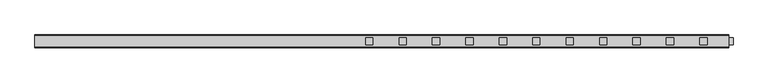
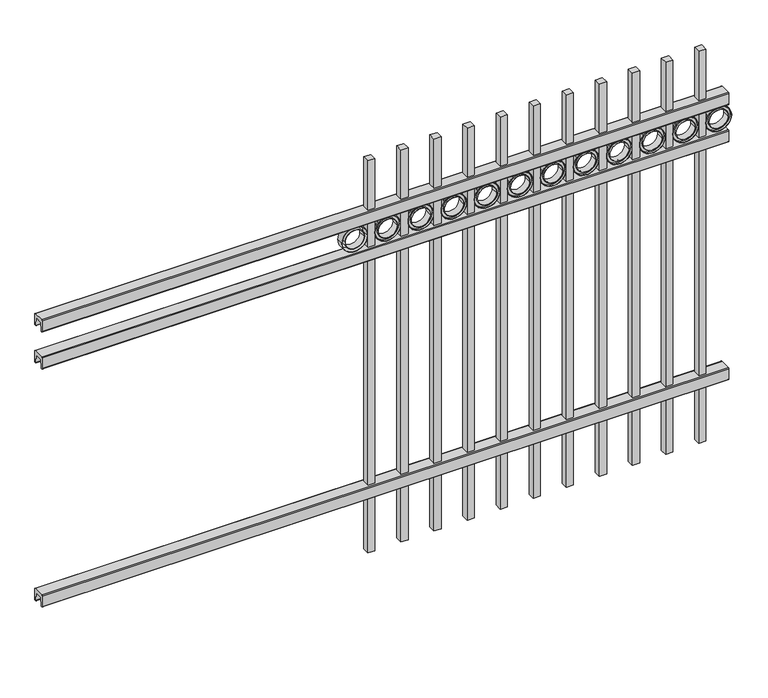
"""IFC4 building model written with IfcOpenShell, lengths in millimetres: railing geometry."""

from ifc_helpers import new_model, si_unit, point, frame, frame_2d, origin, place, context, project, spatial, polyline, circle_curve, trimmed, segment, composite_curve, outline, extrude, source, transform, mapped, element, save


def railing_81ed08ba(model_context):
    return source(origin(), model_context, "Body", "SweptSolid", [
        extrude(outline(composite_curve([segment(polyline([(11873.9139761, 304.8), (11911.969541, 304.8)]), True, "CONTINUOUS"), segment(trimmed(circle_curve(frame_2d((11911.969541, 301.625)), 3.175), [point((11911.969541, 304.8))], [point((11915.144541, 301.625))], False, "CARTESIAN"), True, "CONTINUOUS"), segment(polyline([(11915.144541, 301.625), (11915.144541, 262.1439893)]), True, "CONTINUOUS"), segment(trimmed(circle_curve(frame_2d((11913.3505518, 262.1439893)), 1.7939893), [point((11915.144541, 262.1439893))], [point((11913.3505518, 260.35))], False, "CARTESIAN"), True, "CONTINUOUS"), segment(polyline([(11913.3505518, 260.35), (11910.7590713, 260.35)]), True, "CONTINUOUS"), segment(trimmed(circle_curve(frame_2d((11910.7590713, 262.1359375)), 1.7859375), [point((11910.7590713, 260.35))], [point((11908.9755813, 262.0424688))], False, "CARTESIAN"), True, "CONTINUOUS"), segment(polyline([(11908.9755813, 262.0424688), (11907.4025867, 292.0569942), (11878.4364954, 292.0569942), (11876.8635007, 262.0424688)]), True, "CONTINUOUS"), segment(trimmed(circle_curve(frame_2d((11875.0800108, 262.1359375)), 1.7859375), [point((11876.8635007, 262.0424688))], [point((11875.0800108, 260.35))], False, "CARTESIAN"), True, "CONTINUOUS"), segment(polyline([(11875.0800108, 260.35), (11872.4804785, 260.35)]), True, "CONTINUOUS"), segment(trimmed(circle_curve(frame_2d((11872.4804785, 262.1359375)), 1.7859375), [point((11872.4804785, 260.35))], [point((11870.694541, 262.1359375))], False, "CARTESIAN"), True, "CONTINUOUS"), segment(polyline([(11870.694541, 262.1359375), (11870.694541, 301.5805649)]), True, "CONTINUOUS"), segment(trimmed(circle_curve(frame_2d((11873.9139761, 301.5805649)), 3.2194351), [point((11870.694541, 301.5805649))], [point((11873.9139761, 304.8))], False, "CARTESIAN"), True, "CONTINUOUS")], self_intersect=False)), frame((11485.3350064, 0.0, 0.0), z_axis=(1.0, 0.0, 0.0), x_axis=(0.0, 1.0, 0.0)), (0.0, 0.0, 1.0), 2438.4),
        extrude(outline(composite_curve([segment(polyline([(11873.9139761, 1198.5625), (11911.969541, 1198.5625)]), True, "CONTINUOUS"), segment(trimmed(circle_curve(frame_2d((11911.969541, 1195.3875)), 3.175), [point((11911.969541, 1198.5625))], [point((11915.144541, 1195.3875))], False, "CARTESIAN"), True, "CONTINUOUS"), segment(polyline([(11915.144541, 1195.3875), (11915.144541, 1155.9064893)]), True, "CONTINUOUS"), segment(trimmed(circle_curve(frame_2d((11913.3505518, 1155.9064893)), 1.7939893), [point((11915.144541, 1155.9064893))], [point((11913.3505518, 1154.1125))], False, "CARTESIAN"), True, "CONTINUOUS"), segment(polyline([(11913.3505518, 1154.1125), (11910.7590713, 1154.1125)]), True, "CONTINUOUS"), segment(trimmed(circle_curve(frame_2d((11910.7590713, 1155.8984375)), 1.7859375), [point((11910.7590713, 1154.1125))], [point((11908.9755813, 1155.8049688))], False, "CARTESIAN"), True, "CONTINUOUS"), segment(polyline([(11908.9755813, 1155.8049688), (11907.4025867, 1185.8194942), (11878.4364954, 1185.8194942), (11876.8635007, 1155.8049688)]), True, "CONTINUOUS"), segment(trimmed(circle_curve(frame_2d((11875.0800108, 1155.8984375)), 1.7859375), [point((11876.8635007, 1155.8049688))], [point((11875.0800108, 1154.1125))], False, "CARTESIAN"), True, "CONTINUOUS"), segment(polyline([(11875.0800108, 1154.1125), (11872.4804785, 1154.1125)]), True, "CONTINUOUS"), segment(trimmed(circle_curve(frame_2d((11872.4804785, 1155.8984375)), 1.7859375), [point((11872.4804785, 1154.1125))], [point((11870.694541, 1155.8984375))], False, "CARTESIAN"), True, "CONTINUOUS"), segment(polyline([(11870.694541, 1155.8984375), (11870.694541, 1195.3430649)]), True, "CONTINUOUS"), segment(trimmed(circle_curve(frame_2d((11873.9139761, 1195.3430649)), 3.2194351), [point((11870.694541, 1195.3430649))], [point((11873.9139761, 1198.5625))], False, "CARTESIAN"), True, "CONTINUOUS")], self_intersect=False)), frame((11485.3350064, 0.0, 0.0), z_axis=(1.0, 0.0, 0.0), x_axis=(0.0, 1.0, 0.0)), (0.0, 0.0, 1.0), 2438.4),
        extrude(outline(composite_curve([segment(polyline([(11873.9139761, 1338.2625), (11911.969541, 1338.2625)]), True, "CONTINUOUS"), segment(trimmed(circle_curve(frame_2d((11911.969541, 1335.0875)), 3.175), [point((11911.969541, 1338.2625))], [point((11915.144541, 1335.0875))], False, "CARTESIAN"), True, "CONTINUOUS"), segment(polyline([(11915.144541, 1335.0875), (11915.144541, 1295.6064893)]), True, "CONTINUOUS"), segment(trimmed(circle_curve(frame_2d((11913.3505518, 1295.6064893)), 1.7939893), [point((11915.144541, 1295.6064893))], [point((11913.3505518, 1293.8125))], False, "CARTESIAN"), True, "CONTINUOUS"), segment(polyline([(11913.3505518, 1293.8125), (11910.7590713, 1293.8125)]), True, "CONTINUOUS"), segment(trimmed(circle_curve(frame_2d((11910.7590713, 1295.5984375)), 1.7859375), [point((11910.7590713, 1293.8125))], [point((11908.9755813, 1295.5049688))], False, "CARTESIAN"), True, "CONTINUOUS"), segment(polyline([(11908.9755813, 1295.5049688), (11907.4025867, 1325.5194942), (11878.4364954, 1325.5194942), (11876.8635007, 1295.5049688)]), True, "CONTINUOUS"), segment(trimmed(circle_curve(frame_2d((11875.0800108, 1295.5984375)), 1.7859375), [point((11876.8635007, 1295.5049688))], [point((11875.0800108, 1293.8125))], False, "CARTESIAN"), True, "CONTINUOUS"), segment(polyline([(11875.0800108, 1293.8125), (11872.4804785, 1293.8125)]), True, "CONTINUOUS"), segment(trimmed(circle_curve(frame_2d((11872.4804785, 1295.5984375)), 1.7859375), [point((11872.4804785, 1293.8125))], [point((11870.694541, 1295.5984375))], False, "CARTESIAN"), True, "CONTINUOUS"), segment(polyline([(11870.694541, 1295.5984375), (11870.694541, 1335.0430649)]), True, "CONTINUOUS"), segment(trimmed(circle_curve(frame_2d((11873.9139761, 1335.0430649)), 3.2194351), [point((11870.694541, 1335.0430649))], [point((11873.9139761, 1338.2625))], False, "CARTESIAN"), True, "CONTINUOUS")], self_intersect=False)), frame((11485.3350064, 0.0, 0.0), z_axis=(1.0, 0.0, 0.0), x_axis=(0.0, 1.0, 0.0)), (0.0, 0.0, 1.0), 2438.4),
        extrude(outline(composite_curve([segment(trimmed(circle_curve(frame_2d((1245.4040076, 13893.2338655)), 45.6988591), [point((1245.4040076, 13938.9327246))], [point((1245.4040076, 13847.5350064))], False, "CARTESIAN"), True, "CONTINUOUS"), segment(trimmed(circle_curve(frame_2d((1245.4040076, 13893.2338655)), 45.6988591), [point((1245.4040076, 13847.5350064))], [point((1245.4040076, 13938.9327246))], False, "CARTESIAN"), True, "CONTINUOUS")], self_intersect=False), holes=[composite_curve([segment(trimmed(circle_curve(frame_2d((1245.4040076, 13893.2338655)), 44.101539), [point((1245.4040076, 13937.3354045))], [point((1245.4040076, 13849.1323265))], True, "CARTESIAN"), True, "CONTINUOUS"), segment(trimmed(circle_curve(frame_2d((1245.4040076, 13893.2338655)), 44.101539), [point((1245.4040076, 13849.1323265))], [point((1245.4040076, 13937.3354045))], True, "CARTESIAN"), True, "CONTINUOUS")], self_intersect=False)]), frame((0.0, 11880.219541, 0.0), z_axis=(0.0, 1.0, 0.0), x_axis=(0.0, 0.0, 1.0)), (0.0, 0.0, 1.0), 25.4),
        extrude(outline(composite_curve([segment(trimmed(circle_curve(frame_2d((1245.4040076, 13893.2338655)), 34.6370762), [point((1245.4040076, 13927.8709417))], [point((1245.4040076, 13858.5967893))], False, "CARTESIAN"), True, "CONTINUOUS"), segment(trimmed(circle_curve(frame_2d((1245.4040076, 13893.2338655)), 34.6370762), [point((1245.4040076, 13858.5967893))], [point((1245.4040076, 13927.8709417))], False, "CARTESIAN"), True, "CONTINUOUS")], self_intersect=False), holes=[composite_curve([segment(trimmed(circle_curve(frame_2d((1245.4040076, 13893.2338655)), 33.0443887), [point((1245.4040076, 13926.2782542))], [point((1245.4040076, 13860.1894768))], True, "CARTESIAN"), True, "CONTINUOUS"), segment(trimmed(circle_curve(frame_2d((1245.4040076, 13893.2338655)), 33.0443887), [point((1245.4040076, 13860.1894768))], [point((1245.4040076, 13926.2782542))], True, "CARTESIAN"), True, "CONTINUOUS")], self_intersect=False)]), frame((0.0, 11880.219541, 0.0), z_axis=(0.0, 1.0, 0.0), x_axis=(0.0, 0.0, 1.0)), (0.0, 0.0, 1.0), 25.4),
        extrude(outline(composite_curve([segment(trimmed(circle_curve(frame_2d((1245.4040076, 13893.2338655)), 45.6988591), [point((1245.4040076, 13938.9327246))], [point((1245.4040076, 13847.5350064))], False, "CARTESIAN"), True, "CONTINUOUS"), segment(trimmed(circle_curve(frame_2d((1245.4040076, 13893.2338655)), 45.6988591), [point((1245.4040076, 13847.5350064))], [point((1245.4040076, 13938.9327246))], False, "CARTESIAN"), True, "CONTINUOUS")], self_intersect=False), holes=[composite_curve([segment(trimmed(circle_curve(frame_2d((1245.4040076, 13893.2338655)), 33.0443887), [point((1245.4040076, 13926.2782542))], [point((1245.4040076, 13860.1894768))], True, "CARTESIAN"), True, "CONTINUOUS"), segment(trimmed(circle_curve(frame_2d((1245.4040076, 13893.2338655)), 33.0443887), [point((1245.4040076, 13860.1894768))], [point((1245.4040076, 13926.2782542))], True, "CARTESIAN"), True, "CONTINUOUS")], self_intersect=False)]), frame((0.0, 11886.569541, 0.0), z_axis=(0.0, 1.0, 0.0), x_axis=(0.0, 0.0, 1.0)), (0.0, 0.0, 1.0), 12.7),
        extrude(outline(polyline([(13822.1350064, 11905.619541), (13847.5350064, 11905.619541), (13847.5350064, 11880.219541), (13822.1350064, 11880.219541), (13822.1350064, 11905.619541)])), frame((0.0, 0.0, 50.8), z_axis=(0.0, 0.0, 1.0), x_axis=(1.0, 0.0, 0.0)), (0.0, 0.0, 1.0), 1473.2),
        extrude(outline(composite_curve([segment(trimmed(circle_curve(frame_2d((1245.4040076, 13775.7588655)), 45.6988591), [point((1245.4040076, 13821.4577246))], [point((1245.4040076, 13730.0600064))], False, "CARTESIAN"), True, "CONTINUOUS"), segment(trimmed(circle_curve(frame_2d((1245.4040076, 13775.7588655)), 45.6988591), [point((1245.4040076, 13730.0600064))], [point((1245.4040076, 13821.4577246))], False, "CARTESIAN"), True, "CONTINUOUS")], self_intersect=False), holes=[composite_curve([segment(trimmed(circle_curve(frame_2d((1245.4040076, 13775.7588655)), 44.101539), [point((1245.4040076, 13819.8604045))], [point((1245.4040076, 13731.6573265))], True, "CARTESIAN"), True, "CONTINUOUS"), segment(trimmed(circle_curve(frame_2d((1245.4040076, 13775.7588655)), 44.101539), [point((1245.4040076, 13731.6573265))], [point((1245.4040076, 13819.8604045))], True, "CARTESIAN"), True, "CONTINUOUS")], self_intersect=False)]), frame((0.0, 11880.219541, 0.0), z_axis=(0.0, 1.0, 0.0), x_axis=(0.0, 0.0, 1.0)), (0.0, 0.0, 1.0), 25.4),
        extrude(outline(composite_curve([segment(trimmed(circle_curve(frame_2d((1245.4040076, 13775.7588655)), 34.6370762), [point((1245.4040076, 13810.3959417))], [point((1245.4040076, 13741.1217893))], False, "CARTESIAN"), True, "CONTINUOUS"), segment(trimmed(circle_curve(frame_2d((1245.4040076, 13775.7588655)), 34.6370762), [point((1245.4040076, 13741.1217893))], [point((1245.4040076, 13810.3959417))], False, "CARTESIAN"), True, "CONTINUOUS")], self_intersect=False), holes=[composite_curve([segment(trimmed(circle_curve(frame_2d((1245.4040076, 13775.7588655)), 33.0443887), [point((1245.4040076, 13808.8032542))], [point((1245.4040076, 13742.7144768))], True, "CARTESIAN"), True, "CONTINUOUS"), segment(trimmed(circle_curve(frame_2d((1245.4040076, 13775.7588655)), 33.0443887), [point((1245.4040076, 13742.7144768))], [point((1245.4040076, 13808.8032542))], True, "CARTESIAN"), True, "CONTINUOUS")], self_intersect=False)]), frame((0.0, 11880.219541, 0.0), z_axis=(0.0, 1.0, 0.0), x_axis=(0.0, 0.0, 1.0)), (0.0, 0.0, 1.0), 25.4),
        extrude(outline(composite_curve([segment(trimmed(circle_curve(frame_2d((1245.4040076, 13775.7588655)), 45.6988591), [point((1245.4040076, 13821.4577246))], [point((1245.4040076, 13730.0600064))], False, "CARTESIAN"), True, "CONTINUOUS"), segment(trimmed(circle_curve(frame_2d((1245.4040076, 13775.7588655)), 45.6988591), [point((1245.4040076, 13730.0600064))], [point((1245.4040076, 13821.4577246))], False, "CARTESIAN"), True, "CONTINUOUS")], self_intersect=False), holes=[composite_curve([segment(trimmed(circle_curve(frame_2d((1245.4040076, 13775.7588655)), 33.0443887), [point((1245.4040076, 13808.8032542))], [point((1245.4040076, 13742.7144768))], True, "CARTESIAN"), True, "CONTINUOUS"), segment(trimmed(circle_curve(frame_2d((1245.4040076, 13775.7588655)), 33.0443887), [point((1245.4040076, 13742.7144768))], [point((1245.4040076, 13808.8032542))], True, "CARTESIAN"), True, "CONTINUOUS")], self_intersect=False)]), frame((0.0, 11886.569541, 0.0), z_axis=(0.0, 1.0, 0.0), x_axis=(0.0, 0.0, 1.0)), (0.0, 0.0, 1.0), 12.7),
        extrude(outline(polyline([(13704.6600064, 11905.619541), (13730.0600064, 11905.619541), (13730.0600064, 11880.219541), (13704.6600064, 11880.219541), (13704.6600064, 11905.619541)])), frame((0.0, 0.0, 50.8), z_axis=(0.0, 0.0, 1.0), x_axis=(1.0, 0.0, 0.0)), (0.0, 0.0, 1.0), 1473.2),
        extrude(outline(composite_curve([segment(trimmed(circle_curve(frame_2d((1245.4040076, 13658.2838655)), 45.6988591), [point((1245.4040076, 13703.9827246))], [point((1245.4040076, 13612.5850064))], False, "CARTESIAN"), True, "CONTINUOUS"), segment(trimmed(circle_curve(frame_2d((1245.4040076, 13658.2838655)), 45.6988591), [point((1245.4040076, 13612.5850064))], [point((1245.4040076, 13703.9827246))], False, "CARTESIAN"), True, "CONTINUOUS")], self_intersect=False), holes=[composite_curve([segment(trimmed(circle_curve(frame_2d((1245.4040076, 13658.2838655)), 44.101539), [point((1245.4040076, 13702.3854045))], [point((1245.4040076, 13614.1823265))], True, "CARTESIAN"), True, "CONTINUOUS"), segment(trimmed(circle_curve(frame_2d((1245.4040076, 13658.2838655)), 44.101539), [point((1245.4040076, 13614.1823265))], [point((1245.4040076, 13702.3854045))], True, "CARTESIAN"), True, "CONTINUOUS")], self_intersect=False)]), frame((0.0, 11880.219541, 0.0), z_axis=(0.0, 1.0, 0.0), x_axis=(0.0, 0.0, 1.0)), (0.0, 0.0, 1.0), 25.4),
        extrude(outline(composite_curve([segment(trimmed(circle_curve(frame_2d((1245.4040076, 13658.2838655)), 34.6370762), [point((1245.4040076, 13692.9209417))], [point((1245.4040076, 13623.6467893))], False, "CARTESIAN"), True, "CONTINUOUS"), segment(trimmed(circle_curve(frame_2d((1245.4040076, 13658.2838655)), 34.6370762), [point((1245.4040076, 13623.6467893))], [point((1245.4040076, 13692.9209417))], False, "CARTESIAN"), True, "CONTINUOUS")], self_intersect=False), holes=[composite_curve([segment(trimmed(circle_curve(frame_2d((1245.4040076, 13658.2838655)), 33.0443887), [point((1245.4040076, 13691.3282542))], [point((1245.4040076, 13625.2394768))], True, "CARTESIAN"), True, "CONTINUOUS"), segment(trimmed(circle_curve(frame_2d((1245.4040076, 13658.2838655)), 33.0443887), [point((1245.4040076, 13625.2394768))], [point((1245.4040076, 13691.3282542))], True, "CARTESIAN"), True, "CONTINUOUS")], self_intersect=False)]), frame((0.0, 11880.219541, 0.0), z_axis=(0.0, 1.0, 0.0), x_axis=(0.0, 0.0, 1.0)), (0.0, 0.0, 1.0), 25.4),
        extrude(outline(composite_curve([segment(trimmed(circle_curve(frame_2d((1245.4040076, 13658.2838655)), 45.6988591), [point((1245.4040076, 13703.9827246))], [point((1245.4040076, 13612.5850064))], False, "CARTESIAN"), True, "CONTINUOUS"), segment(trimmed(circle_curve(frame_2d((1245.4040076, 13658.2838655)), 45.6988591), [point((1245.4040076, 13612.5850064))], [point((1245.4040076, 13703.9827246))], False, "CARTESIAN"), True, "CONTINUOUS")], self_intersect=False), holes=[composite_curve([segment(trimmed(circle_curve(frame_2d((1245.4040076, 13658.2838655)), 33.0443887), [point((1245.4040076, 13691.3282542))], [point((1245.4040076, 13625.2394768))], True, "CARTESIAN"), True, "CONTINUOUS"), segment(trimmed(circle_curve(frame_2d((1245.4040076, 13658.2838655)), 33.0443887), [point((1245.4040076, 13625.2394768))], [point((1245.4040076, 13691.3282542))], True, "CARTESIAN"), True, "CONTINUOUS")], self_intersect=False)]), frame((0.0, 11886.569541, 0.0), z_axis=(0.0, 1.0, 0.0), x_axis=(0.0, 0.0, 1.0)), (0.0, 0.0, 1.0), 12.7),
        extrude(outline(polyline([(13587.1850064, 11905.619541), (13612.5850064, 11905.619541), (13612.5850064, 11880.219541), (13587.1850064, 11880.219541), (13587.1850064, 11905.619541)])), frame((0.0, 0.0, 50.8), z_axis=(0.0, 0.0, 1.0), x_axis=(1.0, 0.0, 0.0)), (0.0, 0.0, 1.0), 1473.2),
        extrude(outline(composite_curve([segment(trimmed(circle_curve(frame_2d((1245.4040076, 13540.8088655)), 45.6988591), [point((1245.4040076, 13586.5077246))], [point((1245.4040076, 13495.1100064))], False, "CARTESIAN"), True, "CONTINUOUS"), segment(trimmed(circle_curve(frame_2d((1245.4040076, 13540.8088655)), 45.6988591), [point((1245.4040076, 13495.1100064))], [point((1245.4040076, 13586.5077246))], False, "CARTESIAN"), True, "CONTINUOUS")], self_intersect=False), holes=[composite_curve([segment(trimmed(circle_curve(frame_2d((1245.4040076, 13540.8088655)), 44.101539), [point((1245.4040076, 13584.9104045))], [point((1245.4040076, 13496.7073265))], True, "CARTESIAN"), True, "CONTINUOUS"), segment(trimmed(circle_curve(frame_2d((1245.4040076, 13540.8088655)), 44.101539), [point((1245.4040076, 13496.7073265))], [point((1245.4040076, 13584.9104045))], True, "CARTESIAN"), True, "CONTINUOUS")], self_intersect=False)]), frame((0.0, 11880.219541, 0.0), z_axis=(0.0, 1.0, 0.0), x_axis=(0.0, 0.0, 1.0)), (0.0, 0.0, 1.0), 25.4),
        extrude(outline(composite_curve([segment(trimmed(circle_curve(frame_2d((1245.4040076, 13540.8088655)), 34.6370762), [point((1245.4040076, 13575.4459417))], [point((1245.4040076, 13506.1717893))], False, "CARTESIAN"), True, "CONTINUOUS"), segment(trimmed(circle_curve(frame_2d((1245.4040076, 13540.8088655)), 34.6370762), [point((1245.4040076, 13506.1717893))], [point((1245.4040076, 13575.4459417))], False, "CARTESIAN"), True, "CONTINUOUS")], self_intersect=False), holes=[composite_curve([segment(trimmed(circle_curve(frame_2d((1245.4040076, 13540.8088655)), 33.0443887), [point((1245.4040076, 13573.8532542))], [point((1245.4040076, 13507.7644768))], True, "CARTESIAN"), True, "CONTINUOUS"), segment(trimmed(circle_curve(frame_2d((1245.4040076, 13540.8088655)), 33.0443887), [point((1245.4040076, 13507.7644768))], [point((1245.4040076, 13573.8532542))], True, "CARTESIAN"), True, "CONTINUOUS")], self_intersect=False)]), frame((0.0, 11880.219541, 0.0), z_axis=(0.0, 1.0, 0.0), x_axis=(0.0, 0.0, 1.0)), (0.0, 0.0, 1.0), 25.4),
        extrude(outline(composite_curve([segment(trimmed(circle_curve(frame_2d((1245.4040076, 13540.8088655)), 45.6988591), [point((1245.4040076, 13586.5077246))], [point((1245.4040076, 13495.1100064))], False, "CARTESIAN"), True, "CONTINUOUS"), segment(trimmed(circle_curve(frame_2d((1245.4040076, 13540.8088655)), 45.6988591), [point((1245.4040076, 13495.1100064))], [point((1245.4040076, 13586.5077246))], False, "CARTESIAN"), True, "CONTINUOUS")], self_intersect=False), holes=[composite_curve([segment(trimmed(circle_curve(frame_2d((1245.4040076, 13540.8088655)), 33.0443887), [point((1245.4040076, 13573.8532542))], [point((1245.4040076, 13507.7644768))], True, "CARTESIAN"), True, "CONTINUOUS"), segment(trimmed(circle_curve(frame_2d((1245.4040076, 13540.8088655)), 33.0443887), [point((1245.4040076, 13507.7644768))], [point((1245.4040076, 13573.8532542))], True, "CARTESIAN"), True, "CONTINUOUS")], self_intersect=False)]), frame((0.0, 11886.569541, 0.0), z_axis=(0.0, 1.0, 0.0), x_axis=(0.0, 0.0, 1.0)), (0.0, 0.0, 1.0), 12.7),
        extrude(outline(polyline([(13469.7100064, 11905.619541), (13495.1100064, 11905.619541), (13495.1100064, 11880.219541), (13469.7100064, 11880.219541), (13469.7100064, 11905.619541)])), frame((0.0, 0.0, 50.8), z_axis=(0.0, 0.0, 1.0), x_axis=(1.0, 0.0, 0.0)), (0.0, 0.0, 1.0), 1473.2),
        extrude(outline(composite_curve([segment(trimmed(circle_curve(frame_2d((1245.4040076, 13423.3338655)), 45.6988591), [point((1245.4040076, 13469.0327246))], [point((1245.4040076, 13377.6350064))], False, "CARTESIAN"), True, "CONTINUOUS"), segment(trimmed(circle_curve(frame_2d((1245.4040076, 13423.3338655)), 45.6988591), [point((1245.4040076, 13377.6350064))], [point((1245.4040076, 13469.0327246))], False, "CARTESIAN"), True, "CONTINUOUS")], self_intersect=False), holes=[composite_curve([segment(trimmed(circle_curve(frame_2d((1245.4040076, 13423.3338655)), 44.101539), [point((1245.4040076, 13467.4354045))], [point((1245.4040076, 13379.2323265))], True, "CARTESIAN"), True, "CONTINUOUS"), segment(trimmed(circle_curve(frame_2d((1245.4040076, 13423.3338655)), 44.101539), [point((1245.4040076, 13379.2323265))], [point((1245.4040076, 13467.4354045))], True, "CARTESIAN"), True, "CONTINUOUS")], self_intersect=False)]), frame((0.0, 11880.219541, 0.0), z_axis=(0.0, 1.0, 0.0), x_axis=(0.0, 0.0, 1.0)), (0.0, 0.0, 1.0), 25.4),
        extrude(outline(composite_curve([segment(trimmed(circle_curve(frame_2d((1245.4040076, 13423.3338655)), 34.6370762), [point((1245.4040076, 13457.9709417))], [point((1245.4040076, 13388.6967893))], False, "CARTESIAN"), True, "CONTINUOUS"), segment(trimmed(circle_curve(frame_2d((1245.4040076, 13423.3338655)), 34.6370762), [point((1245.4040076, 13388.6967893))], [point((1245.4040076, 13457.9709417))], False, "CARTESIAN"), True, "CONTINUOUS")], self_intersect=False), holes=[composite_curve([segment(trimmed(circle_curve(frame_2d((1245.4040076, 13423.3338655)), 33.0443887), [point((1245.4040076, 13456.3782542))], [point((1245.4040076, 13390.2894768))], True, "CARTESIAN"), True, "CONTINUOUS"), segment(trimmed(circle_curve(frame_2d((1245.4040076, 13423.3338655)), 33.0443887), [point((1245.4040076, 13390.2894768))], [point((1245.4040076, 13456.3782542))], True, "CARTESIAN"), True, "CONTINUOUS")], self_intersect=False)]), frame((0.0, 11880.219541, 0.0), z_axis=(0.0, 1.0, 0.0), x_axis=(0.0, 0.0, 1.0)), (0.0, 0.0, 1.0), 25.4),
        extrude(outline(composite_curve([segment(trimmed(circle_curve(frame_2d((1245.4040076, 13423.3338655)), 45.6988591), [point((1245.4040076, 13469.0327246))], [point((1245.4040076, 13377.6350064))], False, "CARTESIAN"), True, "CONTINUOUS"), segment(trimmed(circle_curve(frame_2d((1245.4040076, 13423.3338655)), 45.6988591), [point((1245.4040076, 13377.6350064))], [point((1245.4040076, 13469.0327246))], False, "CARTESIAN"), True, "CONTINUOUS")], self_intersect=False), holes=[composite_curve([segment(trimmed(circle_curve(frame_2d((1245.4040076, 13423.3338655)), 33.0443887), [point((1245.4040076, 13456.3782542))], [point((1245.4040076, 13390.2894768))], True, "CARTESIAN"), True, "CONTINUOUS"), segment(trimmed(circle_curve(frame_2d((1245.4040076, 13423.3338655)), 33.0443887), [point((1245.4040076, 13390.2894768))], [point((1245.4040076, 13456.3782542))], True, "CARTESIAN"), True, "CONTINUOUS")], self_intersect=False)]), frame((0.0, 11886.569541, 0.0), z_axis=(0.0, 1.0, 0.0), x_axis=(0.0, 0.0, 1.0)), (0.0, 0.0, 1.0), 12.7),
        extrude(outline(polyline([(13352.2350064, 11905.619541), (13377.6350064, 11905.619541), (13377.6350064, 11880.219541), (13352.2350064, 11880.219541), (13352.2350064, 11905.619541)])), frame((0.0, 0.0, 50.8), z_axis=(0.0, 0.0, 1.0), x_axis=(1.0, 0.0, 0.0)), (0.0, 0.0, 1.0), 1473.2),
        extrude(outline(composite_curve([segment(trimmed(circle_curve(frame_2d((1245.4040076, 13305.8588655)), 45.6988591), [point((1245.4040076, 13351.5577246))], [point((1245.4040076, 13260.1600064))], False, "CARTESIAN"), True, "CONTINUOUS"), segment(trimmed(circle_curve(frame_2d((1245.4040076, 13305.8588655)), 45.6988591), [point((1245.4040076, 13260.1600064))], [point((1245.4040076, 13351.5577246))], False, "CARTESIAN"), True, "CONTINUOUS")], self_intersect=False), holes=[composite_curve([segment(trimmed(circle_curve(frame_2d((1245.4040076, 13305.8588655)), 44.101539), [point((1245.4040076, 13349.9604045))], [point((1245.4040076, 13261.7573265))], True, "CARTESIAN"), True, "CONTINUOUS"), segment(trimmed(circle_curve(frame_2d((1245.4040076, 13305.8588655)), 44.101539), [point((1245.4040076, 13261.7573265))], [point((1245.4040076, 13349.9604045))], True, "CARTESIAN"), True, "CONTINUOUS")], self_intersect=False)]), frame((0.0, 11880.219541, 0.0), z_axis=(0.0, 1.0, 0.0), x_axis=(0.0, 0.0, 1.0)), (0.0, 0.0, 1.0), 25.4),
        extrude(outline(composite_curve([segment(trimmed(circle_curve(frame_2d((1245.4040076, 13305.8588655)), 34.6370762), [point((1245.4040076, 13340.4959417))], [point((1245.4040076, 13271.2217893))], False, "CARTESIAN"), True, "CONTINUOUS"), segment(trimmed(circle_curve(frame_2d((1245.4040076, 13305.8588655)), 34.6370762), [point((1245.4040076, 13271.2217893))], [point((1245.4040076, 13340.4959417))], False, "CARTESIAN"), True, "CONTINUOUS")], self_intersect=False), holes=[composite_curve([segment(trimmed(circle_curve(frame_2d((1245.4040076, 13305.8588655)), 33.0443887), [point((1245.4040076, 13338.9032542))], [point((1245.4040076, 13272.8144768))], True, "CARTESIAN"), True, "CONTINUOUS"), segment(trimmed(circle_curve(frame_2d((1245.4040076, 13305.8588655)), 33.0443887), [point((1245.4040076, 13272.8144768))], [point((1245.4040076, 13338.9032542))], True, "CARTESIAN"), True, "CONTINUOUS")], self_intersect=False)]), frame((0.0, 11880.219541, 0.0), z_axis=(0.0, 1.0, 0.0), x_axis=(0.0, 0.0, 1.0)), (0.0, 0.0, 1.0), 25.4),
        extrude(outline(composite_curve([segment(trimmed(circle_curve(frame_2d((1245.4040076, 13305.8588655)), 45.6988591), [point((1245.4040076, 13351.5577246))], [point((1245.4040076, 13260.1600064))], False, "CARTESIAN"), True, "CONTINUOUS"), segment(trimmed(circle_curve(frame_2d((1245.4040076, 13305.8588655)), 45.6988591), [point((1245.4040076, 13260.1600064))], [point((1245.4040076, 13351.5577246))], False, "CARTESIAN"), True, "CONTINUOUS")], self_intersect=False), holes=[composite_curve([segment(trimmed(circle_curve(frame_2d((1245.4040076, 13305.8588655)), 33.0443887), [point((1245.4040076, 13338.9032542))], [point((1245.4040076, 13272.8144768))], True, "CARTESIAN"), True, "CONTINUOUS"), segment(trimmed(circle_curve(frame_2d((1245.4040076, 13305.8588655)), 33.0443887), [point((1245.4040076, 13272.8144768))], [point((1245.4040076, 13338.9032542))], True, "CARTESIAN"), True, "CONTINUOUS")], self_intersect=False)]), frame((0.0, 11886.569541, 0.0), z_axis=(0.0, 1.0, 0.0), x_axis=(0.0, 0.0, 1.0)), (0.0, 0.0, 1.0), 12.7),
        extrude(outline(polyline([(13234.7600064, 11905.619541), (13260.1600064, 11905.619541), (13260.1600064, 11880.219541), (13234.7600064, 11880.219541), (13234.7600064, 11905.619541)])), frame((0.0, 0.0, 50.8), z_axis=(0.0, 0.0, 1.0), x_axis=(1.0, 0.0, 0.0)), (0.0, 0.0, 1.0), 1473.2),
        extrude(outline(composite_curve([segment(trimmed(circle_curve(frame_2d((1245.4040076, 13188.3838655)), 45.6988591), [point((1245.4040076, 13234.0827246))], [point((1245.4040076, 13142.6850064))], False, "CARTESIAN"), True, "CONTINUOUS"), segment(trimmed(circle_curve(frame_2d((1245.4040076, 13188.3838655)), 45.6988591), [point((1245.4040076, 13142.6850064))], [point((1245.4040076, 13234.0827246))], False, "CARTESIAN"), True, "CONTINUOUS")], self_intersect=False), holes=[composite_curve([segment(trimmed(circle_curve(frame_2d((1245.4040076, 13188.3838655)), 44.101539), [point((1245.4040076, 13232.4854045))], [point((1245.4040076, 13144.2823265))], True, "CARTESIAN"), True, "CONTINUOUS"), segment(trimmed(circle_curve(frame_2d((1245.4040076, 13188.3838655)), 44.101539), [point((1245.4040076, 13144.2823265))], [point((1245.4040076, 13232.4854045))], True, "CARTESIAN"), True, "CONTINUOUS")], self_intersect=False)]), frame((0.0, 11880.219541, 0.0), z_axis=(0.0, 1.0, 0.0), x_axis=(0.0, 0.0, 1.0)), (0.0, 0.0, 1.0), 25.4),
        extrude(outline(composite_curve([segment(trimmed(circle_curve(frame_2d((1245.4040076, 13188.3838655)), 34.6370762), [point((1245.4040076, 13223.0209417))], [point((1245.4040076, 13153.7467893))], False, "CARTESIAN"), True, "CONTINUOUS"), segment(trimmed(circle_curve(frame_2d((1245.4040076, 13188.3838655)), 34.6370762), [point((1245.4040076, 13153.7467893))], [point((1245.4040076, 13223.0209417))], False, "CARTESIAN"), True, "CONTINUOUS")], self_intersect=False), holes=[composite_curve([segment(trimmed(circle_curve(frame_2d((1245.4040076, 13188.3838655)), 33.0443887), [point((1245.4040076, 13221.4282542))], [point((1245.4040076, 13155.3394768))], True, "CARTESIAN"), True, "CONTINUOUS"), segment(trimmed(circle_curve(frame_2d((1245.4040076, 13188.3838655)), 33.0443887), [point((1245.4040076, 13155.3394768))], [point((1245.4040076, 13221.4282542))], True, "CARTESIAN"), True, "CONTINUOUS")], self_intersect=False)]), frame((0.0, 11880.219541, 0.0), z_axis=(0.0, 1.0, 0.0), x_axis=(0.0, 0.0, 1.0)), (0.0, 0.0, 1.0), 25.4),
        extrude(outline(composite_curve([segment(trimmed(circle_curve(frame_2d((1245.4040076, 13188.3838655)), 45.6988591), [point((1245.4040076, 13234.0827246))], [point((1245.4040076, 13142.6850064))], False, "CARTESIAN"), True, "CONTINUOUS"), segment(trimmed(circle_curve(frame_2d((1245.4040076, 13188.3838655)), 45.6988591), [point((1245.4040076, 13142.6850064))], [point((1245.4040076, 13234.0827246))], False, "CARTESIAN"), True, "CONTINUOUS")], self_intersect=False), holes=[composite_curve([segment(trimmed(circle_curve(frame_2d((1245.4040076, 13188.3838655)), 33.0443887), [point((1245.4040076, 13221.4282542))], [point((1245.4040076, 13155.3394768))], True, "CARTESIAN"), True, "CONTINUOUS"), segment(trimmed(circle_curve(frame_2d((1245.4040076, 13188.3838655)), 33.0443887), [point((1245.4040076, 13155.3394768))], [point((1245.4040076, 13221.4282542))], True, "CARTESIAN"), True, "CONTINUOUS")], self_intersect=False)]), frame((0.0, 11886.569541, 0.0), z_axis=(0.0, 1.0, 0.0), x_axis=(0.0, 0.0, 1.0)), (0.0, 0.0, 1.0), 12.7),
        extrude(outline(polyline([(13117.2850064, 11905.619541), (13142.6850064, 11905.619541), (13142.6850064, 11880.219541), (13117.2850064, 11880.219541), (13117.2850064, 11905.619541)])), frame((0.0, 0.0, 50.8), z_axis=(0.0, 0.0, 1.0), x_axis=(1.0, 0.0, 0.0)), (0.0, 0.0, 1.0), 1473.2),
        extrude(outline(composite_curve([segment(trimmed(circle_curve(frame_2d((1245.4040076, 13070.9088655)), 45.6988591), [point((1245.4040076, 13116.6077246))], [point((1245.4040076, 13025.2100064))], False, "CARTESIAN"), True, "CONTINUOUS"), segment(trimmed(circle_curve(frame_2d((1245.4040076, 13070.9088655)), 45.6988591), [point((1245.4040076, 13025.2100064))], [point((1245.4040076, 13116.6077246))], False, "CARTESIAN"), True, "CONTINUOUS")], self_intersect=False), holes=[composite_curve([segment(trimmed(circle_curve(frame_2d((1245.4040076, 13070.9088655)), 44.101539), [point((1245.4040076, 13115.0104045))], [point((1245.4040076, 13026.8073265))], True, "CARTESIAN"), True, "CONTINUOUS"), segment(trimmed(circle_curve(frame_2d((1245.4040076, 13070.9088655)), 44.101539), [point((1245.4040076, 13026.8073265))], [point((1245.4040076, 13115.0104045))], True, "CARTESIAN"), True, "CONTINUOUS")], self_intersect=False)]), frame((0.0, 11880.219541, 0.0), z_axis=(0.0, 1.0, 0.0), x_axis=(0.0, 0.0, 1.0)), (0.0, 0.0, 1.0), 25.4),
        extrude(outline(composite_curve([segment(trimmed(circle_curve(frame_2d((1245.4040076, 13070.9088655)), 34.6370762), [point((1245.4040076, 13105.5459417))], [point((1245.4040076, 13036.2717893))], False, "CARTESIAN"), True, "CONTINUOUS"), segment(trimmed(circle_curve(frame_2d((1245.4040076, 13070.9088655)), 34.6370762), [point((1245.4040076, 13036.2717893))], [point((1245.4040076, 13105.5459417))], False, "CARTESIAN"), True, "CONTINUOUS")], self_intersect=False), holes=[composite_curve([segment(trimmed(circle_curve(frame_2d((1245.4040076, 13070.9088655)), 33.0443887), [point((1245.4040076, 13103.9532542))], [point((1245.4040076, 13037.8644768))], True, "CARTESIAN"), True, "CONTINUOUS"), segment(trimmed(circle_curve(frame_2d((1245.4040076, 13070.9088655)), 33.0443887), [point((1245.4040076, 13037.8644768))], [point((1245.4040076, 13103.9532542))], True, "CARTESIAN"), True, "CONTINUOUS")], self_intersect=False)]), frame((0.0, 11880.219541, 0.0), z_axis=(0.0, 1.0, 0.0), x_axis=(0.0, 0.0, 1.0)), (0.0, 0.0, 1.0), 25.4),
        extrude(outline(composite_curve([segment(trimmed(circle_curve(frame_2d((1245.4040076, 13070.9088655)), 45.6988591), [point((1245.4040076, 13116.6077246))], [point((1245.4040076, 13025.2100064))], False, "CARTESIAN"), True, "CONTINUOUS"), segment(trimmed(circle_curve(frame_2d((1245.4040076, 13070.9088655)), 45.6988591), [point((1245.4040076, 13025.2100064))], [point((1245.4040076, 13116.6077246))], False, "CARTESIAN"), True, "CONTINUOUS")], self_intersect=False), holes=[composite_curve([segment(trimmed(circle_curve(frame_2d((1245.4040076, 13070.9088655)), 33.0443887), [point((1245.4040076, 13103.9532542))], [point((1245.4040076, 13037.8644768))], True, "CARTESIAN"), True, "CONTINUOUS"), segment(trimmed(circle_curve(frame_2d((1245.4040076, 13070.9088655)), 33.0443887), [point((1245.4040076, 13037.8644768))], [point((1245.4040076, 13103.9532542))], True, "CARTESIAN"), True, "CONTINUOUS")], self_intersect=False)]), frame((0.0, 11886.569541, 0.0), z_axis=(0.0, 1.0, 0.0), x_axis=(0.0, 0.0, 1.0)), (0.0, 0.0, 1.0), 12.7),
        extrude(outline(polyline([(12999.8100064, 11905.619541), (13025.2100064, 11905.619541), (13025.2100064, 11880.219541), (12999.8100064, 11880.219541), (12999.8100064, 11905.619541)])), frame((0.0, 0.0, 50.8), z_axis=(0.0, 0.0, 1.0), x_axis=(1.0, 0.0, 0.0)), (0.0, 0.0, 1.0), 1473.2),
        extrude(outline(composite_curve([segment(trimmed(circle_curve(frame_2d((1245.4040076, 12953.4338655)), 45.6988591), [point((1245.4040076, 12999.1327246))], [point((1245.4040076, 12907.7350064))], False, "CARTESIAN"), True, "CONTINUOUS"), segment(trimmed(circle_curve(frame_2d((1245.4040076, 12953.4338655)), 45.6988591), [point((1245.4040076, 12907.7350064))], [point((1245.4040076, 12999.1327246))], False, "CARTESIAN"), True, "CONTINUOUS")], self_intersect=False), holes=[composite_curve([segment(trimmed(circle_curve(frame_2d((1245.4040076, 12953.4338655)), 44.101539), [point((1245.4040076, 12997.5354045))], [point((1245.4040076, 12909.3323265))], True, "CARTESIAN"), True, "CONTINUOUS"), segment(trimmed(circle_curve(frame_2d((1245.4040076, 12953.4338655)), 44.101539), [point((1245.4040076, 12909.3323265))], [point((1245.4040076, 12997.5354045))], True, "CARTESIAN"), True, "CONTINUOUS")], self_intersect=False)]), frame((0.0, 11880.219541, 0.0), z_axis=(0.0, 1.0, 0.0), x_axis=(0.0, 0.0, 1.0)), (0.0, 0.0, 1.0), 25.4),
        extrude(outline(composite_curve([segment(trimmed(circle_curve(frame_2d((1245.4040076, 12953.4338655)), 34.6370762), [point((1245.4040076, 12988.0709417))], [point((1245.4040076, 12918.7967893))], False, "CARTESIAN"), True, "CONTINUOUS"), segment(trimmed(circle_curve(frame_2d((1245.4040076, 12953.4338655)), 34.6370762), [point((1245.4040076, 12918.7967893))], [point((1245.4040076, 12988.0709417))], False, "CARTESIAN"), True, "CONTINUOUS")], self_intersect=False), holes=[composite_curve([segment(trimmed(circle_curve(frame_2d((1245.4040076, 12953.4338655)), 33.0443887), [point((1245.4040076, 12986.4782542))], [point((1245.4040076, 12920.3894768))], True, "CARTESIAN"), True, "CONTINUOUS"), segment(trimmed(circle_curve(frame_2d((1245.4040076, 12953.4338655)), 33.0443887), [point((1245.4040076, 12920.3894768))], [point((1245.4040076, 12986.4782542))], True, "CARTESIAN"), True, "CONTINUOUS")], self_intersect=False)]), frame((0.0, 11880.219541, 0.0), z_axis=(0.0, 1.0, 0.0), x_axis=(0.0, 0.0, 1.0)), (0.0, 0.0, 1.0), 25.4),
        extrude(outline(composite_curve([segment(trimmed(circle_curve(frame_2d((1245.4040076, 12953.4338655)), 45.6988591), [point((1245.4040076, 12999.1327246))], [point((1245.4040076, 12907.7350064))], False, "CARTESIAN"), True, "CONTINUOUS"), segment(trimmed(circle_curve(frame_2d((1245.4040076, 12953.4338655)), 45.6988591), [point((1245.4040076, 12907.7350064))], [point((1245.4040076, 12999.1327246))], False, "CARTESIAN"), True, "CONTINUOUS")], self_intersect=False), holes=[composite_curve([segment(trimmed(circle_curve(frame_2d((1245.4040076, 12953.4338655)), 33.0443887), [point((1245.4040076, 12986.4782542))], [point((1245.4040076, 12920.3894768))], True, "CARTESIAN"), True, "CONTINUOUS"), segment(trimmed(circle_curve(frame_2d((1245.4040076, 12953.4338655)), 33.0443887), [point((1245.4040076, 12920.3894768))], [point((1245.4040076, 12986.4782542))], True, "CARTESIAN"), True, "CONTINUOUS")], self_intersect=False)]), frame((0.0, 11886.569541, 0.0), z_axis=(0.0, 1.0, 0.0), x_axis=(0.0, 0.0, 1.0)), (0.0, 0.0, 1.0), 12.7),
        extrude(outline(polyline([(12882.3350064, 11905.619541), (12907.7350064, 11905.619541), (12907.7350064, 11880.219541), (12882.3350064, 11880.219541), (12882.3350064, 11905.619541)])), frame((0.0, 0.0, 50.8), z_axis=(0.0, 0.0, 1.0), x_axis=(1.0, 0.0, 0.0)), (0.0, 0.0, 1.0), 1473.2),
        extrude(outline(composite_curve([segment(trimmed(circle_curve(frame_2d((1245.4040076, 12835.9588655)), 45.6988591), [point((1245.4040076, 12881.6577246))], [point((1245.4040076, 12790.2600064))], False, "CARTESIAN"), True, "CONTINUOUS"), segment(trimmed(circle_curve(frame_2d((1245.4040076, 12835.9588655)), 45.6988591), [point((1245.4040076, 12790.2600064))], [point((1245.4040076, 12881.6577246))], False, "CARTESIAN"), True, "CONTINUOUS")], self_intersect=False), holes=[composite_curve([segment(trimmed(circle_curve(frame_2d((1245.4040076, 12835.9588655)), 44.101539), [point((1245.4040076, 12880.0604045))], [point((1245.4040076, 12791.8573265))], True, "CARTESIAN"), True, "CONTINUOUS"), segment(trimmed(circle_curve(frame_2d((1245.4040076, 12835.9588655)), 44.101539), [point((1245.4040076, 12791.8573265))], [point((1245.4040076, 12880.0604045))], True, "CARTESIAN"), True, "CONTINUOUS")], self_intersect=False)]), frame((0.0, 11880.219541, 0.0), z_axis=(0.0, 1.0, 0.0), x_axis=(0.0, 0.0, 1.0)), (0.0, 0.0, 1.0), 25.4),
        extrude(outline(composite_curve([segment(trimmed(circle_curve(frame_2d((1245.4040076, 12835.9588655)), 34.6370762), [point((1245.4040076, 12870.5959417))], [point((1245.4040076, 12801.3217893))], False, "CARTESIAN"), True, "CONTINUOUS"), segment(trimmed(circle_curve(frame_2d((1245.4040076, 12835.9588655)), 34.6370762), [point((1245.4040076, 12801.3217893))], [point((1245.4040076, 12870.5959417))], False, "CARTESIAN"), True, "CONTINUOUS")], self_intersect=False), holes=[composite_curve([segment(trimmed(circle_curve(frame_2d((1245.4040076, 12835.9588655)), 33.0443887), [point((1245.4040076, 12869.0032542))], [point((1245.4040076, 12802.9144768))], True, "CARTESIAN"), True, "CONTINUOUS"), segment(trimmed(circle_curve(frame_2d((1245.4040076, 12835.9588655)), 33.0443887), [point((1245.4040076, 12802.9144768))], [point((1245.4040076, 12869.0032542))], True, "CARTESIAN"), True, "CONTINUOUS")], self_intersect=False)]), frame((0.0, 11880.219541, 0.0), z_axis=(0.0, 1.0, 0.0), x_axis=(0.0, 0.0, 1.0)), (0.0, 0.0, 1.0), 25.4),
        extrude(outline(composite_curve([segment(trimmed(circle_curve(frame_2d((1245.4040076, 12835.9588655)), 45.6988591), [point((1245.4040076, 12881.6577246))], [point((1245.4040076, 12790.2600064))], False, "CARTESIAN"), True, "CONTINUOUS"), segment(trimmed(circle_curve(frame_2d((1245.4040076, 12835.9588655)), 45.6988591), [point((1245.4040076, 12790.2600064))], [point((1245.4040076, 12881.6577246))], False, "CARTESIAN"), True, "CONTINUOUS")], self_intersect=False), holes=[composite_curve([segment(trimmed(circle_curve(frame_2d((1245.4040076, 12835.9588655)), 33.0443887), [point((1245.4040076, 12869.0032542))], [point((1245.4040076, 12802.9144768))], True, "CARTESIAN"), True, "CONTINUOUS"), segment(trimmed(circle_curve(frame_2d((1245.4040076, 12835.9588655)), 33.0443887), [point((1245.4040076, 12802.9144768))], [point((1245.4040076, 12869.0032542))], True, "CARTESIAN"), True, "CONTINUOUS")], self_intersect=False)]), frame((0.0, 11886.569541, 0.0), z_axis=(0.0, 1.0, 0.0), x_axis=(0.0, 0.0, 1.0)), (0.0, 0.0, 1.0), 12.7),
        extrude(outline(polyline([(12764.8600064, 11905.619541), (12790.2600064, 11905.619541), (12790.2600064, 11880.219541), (12764.8600064, 11880.219541), (12764.8600064, 11905.619541)])), frame((0.0, 0.0, 50.8), z_axis=(0.0, 0.0, 1.0), x_axis=(1.0, 0.0, 0.0)), (0.0, 0.0, 1.0), 1473.2),
        extrude(outline(composite_curve([segment(trimmed(circle_curve(frame_2d((1245.4040076, 12718.4838655)), 45.6988591), [point((1245.4040076, 12764.1827246))], [point((1245.4040076, 12672.7850064))], False, "CARTESIAN"), True, "CONTINUOUS"), segment(trimmed(circle_curve(frame_2d((1245.4040076, 12718.4838655)), 45.6988591), [point((1245.4040076, 12672.7850064))], [point((1245.4040076, 12764.1827246))], False, "CARTESIAN"), True, "CONTINUOUS")], self_intersect=False), holes=[composite_curve([segment(trimmed(circle_curve(frame_2d((1245.4040076, 12718.4838655)), 44.101539), [point((1245.4040076, 12762.5854045))], [point((1245.4040076, 12674.3823265))], True, "CARTESIAN"), True, "CONTINUOUS"), segment(trimmed(circle_curve(frame_2d((1245.4040076, 12718.4838655)), 44.101539), [point((1245.4040076, 12674.3823265))], [point((1245.4040076, 12762.5854045))], True, "CARTESIAN"), True, "CONTINUOUS")], self_intersect=False)]), frame((0.0, 11880.219541, 0.0), z_axis=(0.0, 1.0, 0.0), x_axis=(0.0, 0.0, 1.0)), (0.0, 0.0, 1.0), 25.4),
        extrude(outline(composite_curve([segment(trimmed(circle_curve(frame_2d((1245.4040076, 12718.4838655)), 34.6370762), [point((1245.4040076, 12753.1209417))], [point((1245.4040076, 12683.8467893))], False, "CARTESIAN"), True, "CONTINUOUS"), segment(trimmed(circle_curve(frame_2d((1245.4040076, 12718.4838655)), 34.6370762), [point((1245.4040076, 12683.8467893))], [point((1245.4040076, 12753.1209417))], False, "CARTESIAN"), True, "CONTINUOUS")], self_intersect=False), holes=[composite_curve([segment(trimmed(circle_curve(frame_2d((1245.4040076, 12718.4838655)), 33.0443887), [point((1245.4040076, 12751.5282542))], [point((1245.4040076, 12685.4394768))], True, "CARTESIAN"), True, "CONTINUOUS"), segment(trimmed(circle_curve(frame_2d((1245.4040076, 12718.4838655)), 33.0443887), [point((1245.4040076, 12685.4394768))], [point((1245.4040076, 12751.5282542))], True, "CARTESIAN"), True, "CONTINUOUS")], self_intersect=False)]), frame((0.0, 11880.219541, 0.0), z_axis=(0.0, 1.0, 0.0), x_axis=(0.0, 0.0, 1.0)), (0.0, 0.0, 1.0), 25.4),
        extrude(outline(composite_curve([segment(trimmed(circle_curve(frame_2d((1245.4040076, 12718.4838655)), 45.6988591), [point((1245.4040076, 12764.1827246))], [point((1245.4040076, 12672.7850064))], False, "CARTESIAN"), True, "CONTINUOUS"), segment(trimmed(circle_curve(frame_2d((1245.4040076, 12718.4838655)), 45.6988591), [point((1245.4040076, 12672.7850064))], [point((1245.4040076, 12764.1827246))], False, "CARTESIAN"), True, "CONTINUOUS")], self_intersect=False), holes=[composite_curve([segment(trimmed(circle_curve(frame_2d((1245.4040076, 12718.4838655)), 33.0443887), [point((1245.4040076, 12751.5282542))], [point((1245.4040076, 12685.4394768))], True, "CARTESIAN"), True, "CONTINUOUS"), segment(trimmed(circle_curve(frame_2d((1245.4040076, 12718.4838655)), 33.0443887), [point((1245.4040076, 12685.4394768))], [point((1245.4040076, 12751.5282542))], True, "CARTESIAN"), True, "CONTINUOUS")], self_intersect=False)]), frame((0.0, 11886.569541, 0.0), z_axis=(0.0, 1.0, 0.0), x_axis=(0.0, 0.0, 1.0)), (0.0, 0.0, 1.0), 12.7),
        extrude(outline(polyline([(12647.3850064, 11905.619541), (12672.7850064, 11905.619541), (12672.7850064, 11880.219541), (12647.3850064, 11880.219541), (12647.3850064, 11905.619541)])), frame((0.0, 0.0, 50.8), z_axis=(0.0, 0.0, 1.0), x_axis=(1.0, 0.0, 0.0)), (0.0, 0.0, 1.0), 1473.2),
        extrude(outline(composite_curve([segment(trimmed(circle_curve(frame_2d((1245.4040076, 12601.0088655)), 45.6988591), [point((1245.4040076, 12646.7077246))], [point((1245.4040076, 12555.3100064))], False, "CARTESIAN"), True, "CONTINUOUS"), segment(trimmed(circle_curve(frame_2d((1245.4040076, 12601.0088655)), 45.6988591), [point((1245.4040076, 12555.3100064))], [point((1245.4040076, 12646.7077246))], False, "CARTESIAN"), True, "CONTINUOUS")], self_intersect=False), holes=[composite_curve([segment(trimmed(circle_curve(frame_2d((1245.4040076, 12601.0088655)), 44.101539), [point((1245.4040076, 12645.1104045))], [point((1245.4040076, 12556.9073265))], True, "CARTESIAN"), True, "CONTINUOUS"), segment(trimmed(circle_curve(frame_2d((1245.4040076, 12601.0088655)), 44.101539), [point((1245.4040076, 12556.9073265))], [point((1245.4040076, 12645.1104045))], True, "CARTESIAN"), True, "CONTINUOUS")], self_intersect=False)]), frame((0.0, 11880.219541, 0.0), z_axis=(0.0, 1.0, 0.0), x_axis=(0.0, 0.0, 1.0)), (0.0, 0.0, 1.0), 25.4),
        extrude(outline(composite_curve([segment(trimmed(circle_curve(frame_2d((1245.4040076, 12601.0088655)), 34.6370762), [point((1245.4040076, 12635.6459417))], [point((1245.4040076, 12566.3717893))], False, "CARTESIAN"), True, "CONTINUOUS"), segment(trimmed(circle_curve(frame_2d((1245.4040076, 12601.0088655)), 34.6370762), [point((1245.4040076, 12566.3717893))], [point((1245.4040076, 12635.6459417))], False, "CARTESIAN"), True, "CONTINUOUS")], self_intersect=False), holes=[composite_curve([segment(trimmed(circle_curve(frame_2d((1245.4040076, 12601.0088655)), 33.0443887), [point((1245.4040076, 12634.0532542))], [point((1245.4040076, 12567.9644768))], True, "CARTESIAN"), True, "CONTINUOUS"), segment(trimmed(circle_curve(frame_2d((1245.4040076, 12601.0088655)), 33.0443887), [point((1245.4040076, 12567.9644768))], [point((1245.4040076, 12634.0532542))], True, "CARTESIAN"), True, "CONTINUOUS")], self_intersect=False)]), frame((0.0, 11880.219541, 0.0), z_axis=(0.0, 1.0, 0.0), x_axis=(0.0, 0.0, 1.0)), (0.0, 0.0, 1.0), 25.4),
    ])


if __name__ == "__main__":
    model = new_model("IFC4")
    model_context = context("Model", 3, world=origin())
    ifc_project = project(units=[si_unit("LENGTHUNIT", "METRE", prefix="MILLI")], contexts=[model_context])
    site = spatial("IfcSite", under=ifc_project)
    building = spatial("IfcBuilding", under=site)
    placement = place(None, origin())
    railing_shape = railing_81ed08ba(model_context)
    element("IfcRailing", 1, at=placement, inside=building, context=model_context, shape_type="MappedRepresentation", body=[
        mapped(railing_shape, transform((0.0, 0.0, 0.0), x_axis=(1.0, 0.0, 0.0), y_axis=(0.0, 1.0, 0.0), z_axis=(0.0, 0.0, 1.0))),
    ])
    save(model, "model.ifc")
